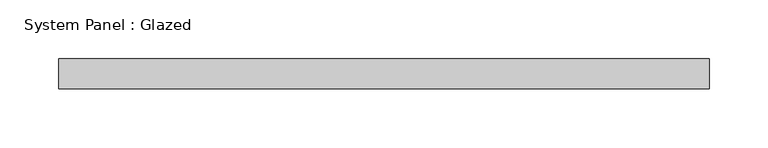
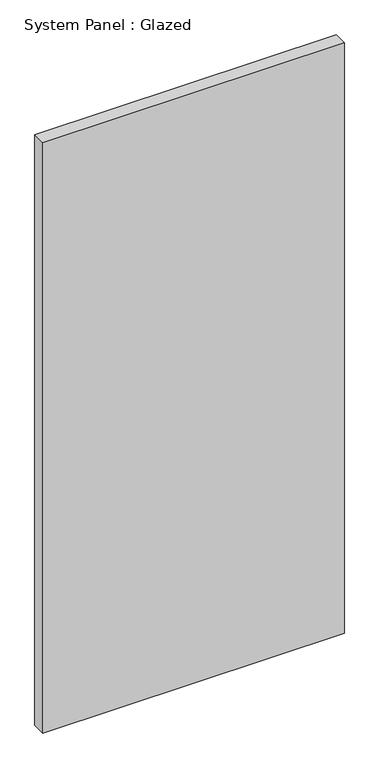
"""IFC4 building model written with IfcOpenShell, lengths in millimetres: plate geometry, System Panel : Glazed."""

from ifc_helpers import new_model, si_unit, origin, origin_with_axes, place, context, project, spatial, polyline, outline, extrude, source, transform, mapped, element, save


def system_panel_glazed_ef9b6ea2(model_context):
    return source(origin(), model_context, "Body", "SweptSolid", [
        extrude(outline(polyline([(276.225, -44.45), (-276.225, -44.45), (-276.225, -19.05), (276.225, -19.05), (276.225, -44.45)])), origin_with_axes(), (0.0, 0.0, 1.0), 1143.0),
    ])


if __name__ == "__main__":
    model = new_model("IFC4")
    model_context = context("Model", 3, world=origin())
    ifc_project = project(units=[si_unit("LENGTHUNIT", "METRE", prefix="MILLI")], contexts=[model_context])
    site = spatial("IfcSite", under=ifc_project)
    building = spatial("IfcBuilding", under=site)
    placement = place(None, origin())
    system_panel_glazed_shape = system_panel_glazed_ef9b6ea2(model_context)
    element("IfcPlate", 1, ObjectType="System Panel : Glazed", at=placement, inside=building, context=model_context, shape_type="MappedRepresentation", body=[
        mapped(system_panel_glazed_shape, transform((0.0, 0.0, 0.0), x_axis=(1.0, 0.0, 0.0), y_axis=(0.0, 1.0, 0.0), z_axis=(0.0, 0.0, 1.0))),
    ])
    save(model, "model.ifc")
